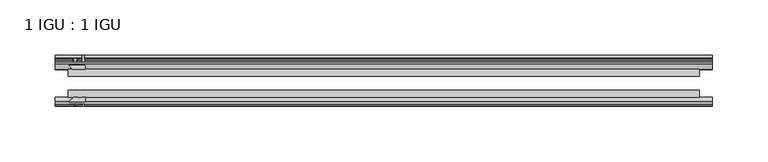
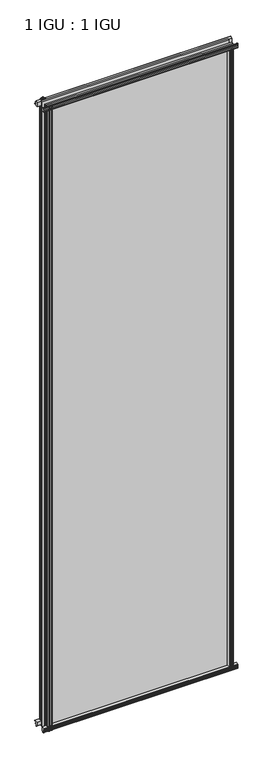
"""IFC4 building model written with IfcOpenShell, lengths in millimetres: plate geometry, 1 IGU : 1 IGU."""

from ifc_helpers import new_model, si_unit, point, frame, frame_2d, origin, origin_with_axes, place, context, project, spatial, polyline, circle_curve, trimmed, segment, composite_curve, outline, extrude, source, transform, mapped, element, save


def plate_1_igu_1_igu_238a798e(model_context):
    return source(origin(), model_context, "Body", "SweptSolid", [
        extrude(outline(polyline([(-24.9039062, 2.5763839), (-12.2039062, 1.5739665), (-12.2039062, 0.0), (-18.5539062, 0.0), (-18.5539062, -4.953), (-16.254502, -5.5691235), (-16.6301757, -4.1670901), (-15.7714677, -3.937), (-15.1249062, -6.35), (-15.7714677, -8.763), (-16.6301757, -8.5329099), (-16.254502, -7.1308765), (-18.5539062, -7.747), (-18.5539062, -12.7), (-20.5859062, -12.7), (-24.9039062, -9.1036931), (-24.9039062, 2.5763839)])), frame((-297.6118, 0.0, 0.0), z_axis=(1.0, 0.0, 0.0), x_axis=(0.0, 1.0, 0.0)), (0.0, 0.0, 1.0), 595.2236),
        extrude(outline(composite_curve([segment(polyline([(-58.2287402, 1.5687054), (-50.3039062, 3.0983599), (-50.3039062, -7.92383), (-54.4858806, -12.1058044)]), True, "CONTINUOUS"), segment(trimmed(circle_curve(frame_2d((-55.3839062, -11.2077788)), 1.27), [point((-54.4858806, -12.1058044))], [point((-56.6539062, -11.2077788))], False, "CARTESIAN"), True, "CONTINUOUS"), segment(polyline([(-56.6539062, -11.2077788), (-56.6539062, -8.0327788), (-58.1332022, -5.4488186), (-56.6539062, -5.1879788), (-56.6539062, 0.2222212), (-58.2287402, 0.0), (-58.2287402, 1.5687054)]), True, "CONTINUOUS")], self_intersect=False)), frame((-297.6118, 0.0, 0.0), z_axis=(1.0, 0.0, 0.0), x_axis=(0.0, 1.0, 0.0)), (0.0, 0.0, 1.0), 595.2236),
        extrude(outline(polyline([(-18.5539063, 2001.656525), (-16.254502, 2001.0404015), (-16.6301757, 2002.4424349), (-15.7714677, 2002.672525), (-15.1249063, 2000.259525), (-15.7714677, 1997.846525), (-16.6301757, 1998.0766151), (-16.254502, 1999.4786485), (-18.5539063, 1998.862525), (-18.5539063, 1993.909525), (-12.2039062, 1993.909525), (-12.2039062, 1992.3355585), (-24.9039063, 1991.3331411), (-24.9039063, 2003.0132181), (-20.5859063, 2006.609525), (-18.5539063, 2006.609525), (-18.5539063, 2001.656525)])), frame((-297.6118, 0.0, 0.0), z_axis=(1.0, 0.0, 0.0), x_axis=(0.0, 1.0, 0.0)), (0.0, 0.0, 1.0), 595.2236),
        extrude(outline(composite_curve([segment(polyline([(-50.3039063, 2001.833355), (-50.3039063, 1990.8111651), (-58.2287402, 1992.3408196), (-58.2287402, 1993.909525), (-56.6539063, 1993.6873038), (-56.6539063, 1999.0975038), (-58.1332023, 1999.3583436), (-56.6539063, 2001.9423038), (-56.6539063, 2005.1173038)]), True, "CONTINUOUS"), segment(trimmed(circle_curve(frame_2d((-55.3839063, 2005.1173038)), 1.27), [point((-56.6539063, 2005.1173038))], [point((-54.4858806, 2006.0153294))], False, "CARTESIAN"), True, "CONTINUOUS"), segment(polyline([(-54.4858806, 2006.0153294), (-50.3039063, 2001.833355)]), True, "CONTINUOUS")], self_intersect=False)), frame((-297.6118, 0.0, 0.0), z_axis=(1.0, 0.0, 0.0), x_axis=(0.0, 1.0, 0.0)), (0.0, 0.0, 1.0), 595.2236),
        extrude(outline(composite_curve([segment(polyline([(271.318956, -57.3876965), (269.9516401, -50.3039063), (280.97383, -50.3039063), (285.1558044, -54.4858806)]), True, "CONTINUOUS"), segment(trimmed(circle_curve(frame_2d((284.2577788, -55.3839062)), 1.27), [point((285.1558044, -54.4858806))], [point((284.2577788, -56.6539062))], False, "CARTESIAN"), True, "CONTINUOUS"), segment(polyline([(284.2577788, -56.6539062), (281.0827788, -56.6539063), (278.4988186, -58.1332023), (278.2379788, -56.6539063), (272.8277788, -56.6539063), (273.05, -58.2287402), (272.0856792, -58.2014026)]), True, "CONTINUOUS"), segment(trimmed(circle_curve(frame_2d((272.3197788, -57.2127402)), 1.016), [point((272.0856792, -58.2014026))], [point((271.318956, -57.3876965))], False, "CARTESIAN"), True, "CONTINUOUS")], self_intersect=False)), origin_with_axes(), (0.0, 0.0, 1.0), 1994.3064),
        extrude(outline(polyline([(278.003, -18.5539062), (278.6191235, -16.254502), (277.2170901, -16.6301757), (276.987, -15.7714677), (279.4, -15.1249062), (281.813, -15.7714677), (281.5829099, -16.6301757), (280.1808765, -16.254502), (280.797, -18.5539063), (285.75, -18.5539063), (285.75, -20.5859063), (282.1536931, -24.9039063), (270.4736161, -24.9039063), (271.4760335, -12.2039062), (273.05, -12.2039062), (273.05, -18.5539062), (278.003, -18.5539062)])), origin_with_axes(), (0.0, 0.0, 1.0), 1994.3064),
        extrude(outline(composite_curve([segment(polyline([(-281.0827788, -56.6539062), (-284.2577788, -56.6539062)]), True, "CONTINUOUS"), segment(trimmed(circle_curve(frame_2d((-284.2577788, -55.3839062)), 1.27), [point((-284.2577788, -56.6539062))], [point((-285.1558044, -54.4858806))], False, "CARTESIAN"), True, "CONTINUOUS"), segment(polyline([(-285.1558044, -54.4858806), (-280.97383, -50.3039062), (-277.3042845, -50.3039062)]), True, "CONTINUOUS"), segment(trimmed(circle_curve(frame_2d((-275.2407788, -46.3669062)), 4.445), [point((-277.3042845, -50.3039062))], [point((-273.177273, -50.3039062))], True, "CARTESIAN"), True, "CONTINUOUS"), segment(polyline([(-273.177273, -50.3039062), (-269.9516401, -50.3039062), (-271.4812946, -58.2287402), (-273.05, -58.2287402), (-272.8277788, -56.6539062), (-278.2379788, -56.6539062), (-278.4988186, -58.1332022), (-281.0827788, -56.6539062)]), True, "CONTINUOUS")], self_intersect=False)), frame((0.0, 0.0, -12.7), z_axis=(0.0, 0.0, 1.0), x_axis=(1.0, 0.0, 0.0)), (0.0, 0.0, 1.0), 2019.309525),
        extrude(outline(polyline([(-270.4736161, -24.9039062), (-282.1536931, -24.9039062), (-285.75, -20.5859062), (-285.75, -18.5539062), (-280.797, -18.5539062), (-280.1808765, -16.254502), (-281.5829099, -16.6301757), (-281.813, -15.7714677), (-279.4, -15.1249062), (-276.987, -15.7714677), (-277.2170901, -16.6301757), (-278.6191235, -16.254502), (-278.003, -18.5539062), (-273.05, -18.5539062), (-273.05, -12.2039062), (-271.4760335, -12.2039062), (-270.4736161, -24.9039062)])), frame((0.0, 0.0, -12.7), z_axis=(0.0, 0.0, 1.0), x_axis=(1.0, 0.0, 0.0)), (0.0, 0.0, 1.0), 2019.309525),
        extrude(outline(polyline([(285.75, -24.9039062), (285.75, -31.2031063), (-285.75, -31.2031063), (-285.75, -24.9039062), (285.75, -24.9039062)])), frame((0.0, 0.0, -12.7), z_axis=(0.0, 0.0, 1.0), x_axis=(1.0, 0.0, 0.0)), (0.0, 0.0, 1.0), 2019.309525),
        extrude(outline(polyline([(-285.75, -44.0047063), (285.75, -44.0047063), (285.75, -50.3039062), (-285.75, -50.3039062), (-285.75, -44.0047063)])), frame((0.0, 0.0, -12.7), z_axis=(0.0, 0.0, 1.0), x_axis=(1.0, 0.0, 0.0)), (0.0, 0.0, 1.0), 2019.309525),
    ])


if __name__ == "__main__":
    model = new_model("IFC4")
    model_context = context("Model", 3, world=origin())
    ifc_project = project(units=[si_unit("LENGTHUNIT", "METRE", prefix="MILLI")], contexts=[model_context])
    site = spatial("IfcSite", under=ifc_project)
    building = spatial("IfcBuilding", under=site)
    placement = place(None, origin())
    plate_1_igu_1_igu_shape = plate_1_igu_1_igu_238a798e(model_context)
    element("IfcPlate", 1, ObjectType="1 IGU : 1 IGU", at=placement, inside=building, context=model_context, shape_type="MappedRepresentation", body=[
        mapped(plate_1_igu_1_igu_shape, transform((0.0, 0.0, 0.0), x_axis=(1.0, 0.0, 0.0), y_axis=(0.0, 1.0, 0.0), z_axis=(0.0, 0.0, 1.0))),
    ])
    save(model, "model.ifc")
